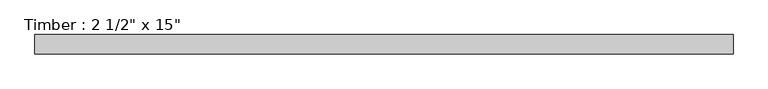
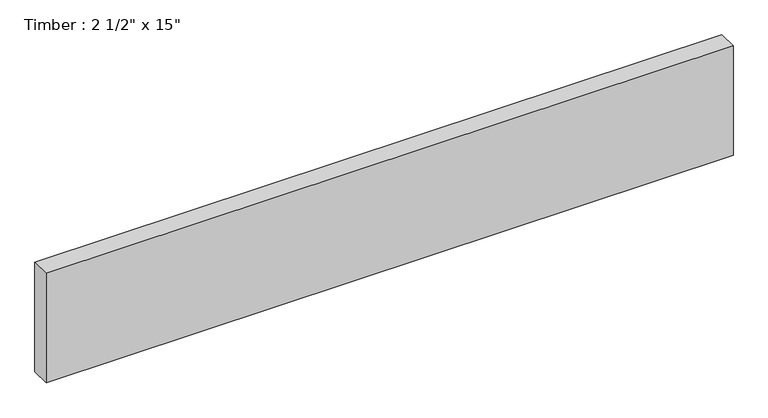
"""IFC4 building model written with IfcOpenShell, lengths in millimetres: beam geometry."""

import ifcopenshell
import ifcopenshell.guid

model = None  # the IFC model being written
_history = None  # IfcOwnerHistory: only IFC2X3 demands one
_inside = {}  # id of a spatial element -> (the spatial element, [elements in it])
_under = {}  # id of a project, library or spatial element -> (it, [spatial elements below it])
_declared = {}  # id of a project -> (the project, [libraries it declares])
_typed = {}  # id of a type object -> (the type object, [elements of that type])
_made_of = {}  # id of a material, layer set ... -> (it, [elements and type objects made of it])


def new_model(schema):
    """Start an empty IFC model of exactly this schema.

    Asked for "IFC4X3", IfcOpenShell would pick the latest addendum, in which some entities
    have other attributes; the version numbers below select the first issue.
    IFC2X3 requires an IfcOwnerHistory on every rooted entity: one is made here for all.
    """
    global model, _history
    if schema == "IFC4X3":
        model = ifcopenshell.file(schema_version=(4, 3, 0, 0))
    else:
        model = ifcopenshell.file(schema=schema)
    _inside.clear()
    _under.clear()
    _declared.clear()
    _typed.clear()
    _made_of.clear()
    _history = None
    if model.schema == "IFC2X3":
        org = make("IfcOrganization", Name="unknown")
        user = make(
            "IfcPersonAndOrganization",
            ThePerson=make("IfcPerson", FamilyName="unknown"),
            TheOrganization=org,
        )
        app = make(
            "IfcApplication",
            ApplicationDeveloper=org,
            Version="unknown",
            ApplicationFullName="unknown",
            ApplicationIdentifier="unknown",
        )
        _history = make(
            "IfcOwnerHistory",
            OwningUser=user,
            OwningApplication=app,
            ChangeAction="ADDED",
            CreationDate=0,
        )
    return model


def make(cls, **values):
    """One entity of the class cls with the attributes given. An attribute that is None is left unset."""
    return model.create_entity(
        cls, **{name: value for name, value in values.items() if value is not None}
    )


def rooted(cls, **values):
    """An entity with a GlobalId (a new one), such as an element, a storey or a relation."""
    return make(cls, GlobalId=ifcopenshell.guid.new(), OwnerHistory=_history, **values)


def si_unit(unit_type, name, prefix=None):
    """IfcSIUnit, for example si_unit("LENGTHUNIT", "METRE", prefix="MILLI")."""
    return make("IfcSIUnit", UnitType=unit_type, Prefix=prefix, Name=name)


def assignment(units):
    """IfcUnitAssignment: the units of a project."""
    return None if units is None else make("IfcUnitAssignment", Units=units)


def point(xyz):
    """IfcCartesianPoint."""
    return None if xyz is None else make("IfcCartesianPoint", Coordinates=xyz)


def direction(xyz):
    """IfcDirection."""
    return None if xyz is None else make("IfcDirection", DirectionRatios=xyz)


def frame(location, z_axis=None, x_axis=None):
    """IfcAxis2Placement3D, a coordinate frame: its origin and axes. An axis left out is left unset."""
    return make(
        "IfcAxis2Placement3D",
        Location=point(location),
        Axis=direction(z_axis),
        RefDirection=direction(x_axis),
    )


def origin():
    """The frame at (0, 0, 0) with its axes left unset."""
    return frame((0.0, 0.0, 0.0))


def place(relative_to, where):
    """IfcLocalPlacement: puts the frame where relative to a parent placement (None: the world)."""
    return make(
        "IfcLocalPlacement", PlacementRelTo=relative_to, RelativePlacement=where
    )


def context(
    kind, dimensions, precision=None, world=None, true_north=None, identifier=None
):
    """IfcGeometricRepresentationContext, for example the 3D "Model" context."""
    return make(
        "IfcGeometricRepresentationContext",
        ContextIdentifier=identifier,
        ContextType=kind,
        CoordinateSpaceDimension=dimensions,
        Precision=precision,
        WorldCoordinateSystem=world,
        TrueNorth=true_north,
    )


def project(units=None, contexts=None):
    """IfcProject with its units and contexts."""
    return rooted(
        "IfcProject",
        Name="project",
        RepresentationContexts=contexts,
        UnitsInContext=assignment(units),
    )


def spatial(cls, under=None, at=None, **own):
    """A site, building, storey or space (cls), placed at a placement, below another one or the project."""
    s = rooted(cls, ObjectPlacement=at, **own)
    if under is not None:
        _under.setdefault(under.id(), (under, []))[1].append(s)
    return s


def polyline(points):
    """IfcPolyline through the points."""
    return make("IfcPolyline", Points=[point(p) for p in points])


def outline(outer, holes=None, kind="AREA"):
    """IfcArbitraryClosedProfileDef: a profile drawn as a closed curve; with holes, ...WithVoids."""
    if holes is None:
        return make("IfcArbitraryClosedProfileDef", ProfileType=kind, OuterCurve=outer)
    return make(
        "IfcArbitraryProfileDefWithVoids",
        ProfileType=kind,
        OuterCurve=outer,
        InnerCurves=holes,
    )


def extrude(swept, where, along, depth):
    """IfcExtrudedAreaSolid: the profile swept, set in the frame where, extruded along a direction by depth."""
    return make(
        "IfcExtrudedAreaSolid",
        SweptArea=swept,
        Position=where,
        ExtrudedDirection=direction(along),
        Depth=depth,
    )


def shape(context_of_items, identifier, shape_type, items):
    """IfcShapeRepresentation: the items that make up one representation, for example the "Body"."""
    return make(
        "IfcShapeRepresentation",
        ContextOfItems=context_of_items,
        RepresentationIdentifier=identifier,
        RepresentationType=shape_type,
        Items=items,
    )


def source(mapping_origin, context_of_items, identifier, shape_type, items):
    """IfcRepresentationMap: a shape defined once, which mapped items show again and again."""
    return make(
        "IfcRepresentationMap",
        MappingOrigin=mapping_origin,
        MappedRepresentation=shape(context_of_items, identifier, shape_type, items),
    )


def transform(
    local_origin,
    x_axis=None,
    y_axis=None,
    z_axis=None,
    scale=None,
    scale2=None,
    scale3=None,
    uniform=True,
):
    """IfcCartesianTransformationOperator3D, or its non-uniform kind. x_axis, y_axis, z_axis: its Axis1, 2, 3."""
    if uniform:
        return make(
            "IfcCartesianTransformationOperator3D",
            Axis1=direction(x_axis),
            Axis2=direction(y_axis),
            LocalOrigin=point(local_origin),
            Scale=scale,
            Axis3=direction(z_axis),
        )
    return make(
        "IfcCartesianTransformationOperator3DnonUniform",
        Axis1=direction(x_axis),
        Axis2=direction(y_axis),
        LocalOrigin=point(local_origin),
        Scale=scale,
        Axis3=direction(z_axis),
        Scale2=scale2,
        Scale3=scale3,
    )


def mapped(mapping_source, mapping_target):
    """IfcMappedItem: shows the shape of a source again, moved by a transform."""
    return make(
        "IfcMappedItem", MappingSource=mapping_source, MappingTarget=mapping_target
    )


def made_of(thing, what):
    """Note that an element or type object is made of a material, layer set ...; save() writes the relation."""
    if what is not None:
        _made_of.setdefault(what.id(), (what, []))[1].append(thing)
    return thing


def element(
    cls,
    number,
    at=None,
    inside=None,
    cuts=None,
    type_object=None,
    material=None,
    context=None,
    identifier="Body",
    shape_type=None,
    held_by="IfcProductDefinitionShape",
    body=None,
    shapes=None,
    **own,
):
    """One element of the class cls, such as IfcWall. Its Tag is "e" and its number.

    at: its placement. inside: the storey or other place that contains it. cuts: it is an
    opening in that element (IfcRelVoidsElement). A single representation is given by context,
    identifier, shape_type and body (its items); several are given by shapes. held_by: the class
    of the entity that holds the representations. save() writes the other relations.
    """
    e = rooted(cls, Tag="e%d" % number, ObjectPlacement=at, **own)
    if body is not None:
        shapes = [shape(context, identifier, shape_type, body)]
    if shapes is not None:
        e.Representation = make(held_by, Representations=shapes)
    if inside is not None:
        _inside.setdefault(inside.id(), (inside, []))[1].append(e)
    if cuts is not None:
        rooted(
            "IfcRelVoidsElement", RelatingBuildingElement=cuts, RelatedOpeningElement=e
        )
    if type_object is not None:
        _typed.setdefault(type_object.id(), (type_object, []))[1].append(e)
    return made_of(e, material)


def aggregate(whole, parts):
    """IfcRelAggregates: a whole, such as a stair, and the parts it consists of."""
    return rooted("IfcRelAggregates", RelatingObject=whole, RelatedObjects=parts)


def save(model, path):
    """Write the relations noted so far, then the file.

    IfcRelAggregates (storeys below a building ...), IfcRelContainedInSpatialStructure (elements
    in a storey), IfcRelDefinesByType, IfcRelAssociatesMaterial and IfcRelDeclares: one each for
    every whole, place, type object, material and project.
    """
    for whole, parts in _under.values():
        aggregate(whole, parts)
    for where, things in _inside.values():
        rooted(
            "IfcRelContainedInSpatialStructure",
            RelatedElements=things,
            RelatingStructure=where,
        )
    for kind, things in _typed.values():
        rooted("IfcRelDefinesByType", RelatedObjects=things, RelatingType=kind)
    for what, things in _made_of.values():
        rooted("IfcRelAssociatesMaterial", RelatedObjects=things, RelatingMaterial=what)
    for by, libraries in _declared.values():
        rooted("IfcRelDeclares", RelatingContext=by, RelatedDefinitions=libraries)
    model.write(path)


def beam_cb84364f(model_context):
    return source(origin(), model_context, "Body", "SweptSolid", [
        extrude(outline(polyline([(1133.1580619, 31.75), (1133.1580619, -31.75), (-1133.1580619, -31.75), (-1133.1580619, 31.75), (1133.1580619, 31.75)])), frame((0.0, 0.0, -190.5), z_axis=(0.0, 0.0, 1.0), x_axis=(1.0, 0.0, 0.0)), (0.0, 0.0, 1.0), 381.0),
    ])


if __name__ == "__main__":
    model = new_model("IFC4")
    model_context = context("Model", 3, world=origin())
    ifc_project = project(units=[si_unit("LENGTHUNIT", "METRE", prefix="MILLI")], contexts=[model_context])
    site = spatial("IfcSite", under=ifc_project)
    building = spatial("IfcBuilding", under=site)
    placement = place(None, origin())
    beam_shape = beam_cb84364f(model_context)
    element("IfcBeam", 1, ObjectType="Timber : 2 1/2\" x 15\"", at=placement, inside=building, context=model_context, shape_type="MappedRepresentation", body=[
        mapped(beam_shape, transform((0.0, 0.0, 0.0), x_axis=(1.0, 0.0, 0.0), y_axis=(0.0, 1.0, 0.0), z_axis=(0.0, 0.0, 1.0))),
    ])
    save(model, "model.ifc")
